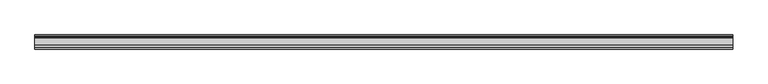
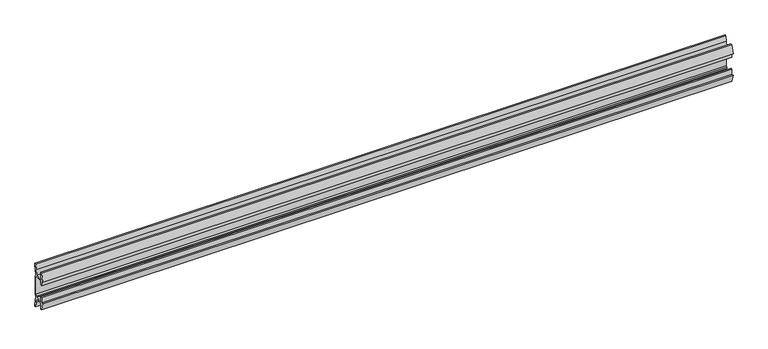
"""IFC4 building model written with IfcOpenShell, lengths in millimetres: furniture geometry."""

from ifc_helpers import new_model, si_unit, point, frame, frame_2d, origin, place, context, project, spatial, polyline, circle_curve, trimmed, segment, composite_curve, outline, extrude, source, transform, mapped, element, save


def furniture_005d5626(model_context):
    return source(origin(), model_context, "Body", "SweptSolid", [
        extrude(outline(composite_curve([segment(polyline([(11.858323, 1787.0845986), (10.7166987, 1781.1251626)]), True, "CONTINUOUS"), segment(trimmed(circle_curve(frame_2d((88.1501042, 1766.291568)), 78.8414093), [point((10.7166987, 1781.1251626))], [point((9.4546262, 1771.0863112))], True, "CARTESIAN"), True, "CONTINUOUS"), segment(polyline([(9.4546262, 1771.0863112), (11.4773198, 1769.0636177), (11.4773198, 1736.1363823), (9.4546262, 1734.1136888)]), True, "CONTINUOUS"), segment(trimmed(circle_curve(frame_2d((88.1501042, 1738.908432)), 78.8414093), [point((9.4546262, 1734.1136888))], [point((10.7166987, 1724.0748374))], True, "CARTESIAN"), True, "CONTINUOUS"), segment(polyline([(10.7166987, 1724.0748374), (11.858323, 1718.1154014), (11.858323, 1714.5006449), (9.3183016, 1714.5006449), (7.5671861, 1723.641709), (6.9977776, 1730.3354675), (-5.9218281, 1730.3354675), (-5.9218281, 1719.7705449), (-8.4618484, 1719.7705449), (-11.7914971, 1733.2790462), (-8.4618484, 1732.2801511), (-8.4618484, 1741.8052306), (-5.9218281, 1741.8052306), (-5.9218281, 1732.915155), (6.7782802, 1732.915155), (6.7782802, 1735.469689), (8.8976323, 1737.3120136), (8.8976323, 1767.8910348), (6.7782802, 1769.7454685), (-5.2868484, 1769.7454685), (-5.2868484, 1763.3954144), (-8.4618484, 1763.3954144), (-8.4618484, 1772.9204939), (-11.858323, 1771.6504837), (-8.4618484, 1785.4301), (-5.2868484, 1785.4301), (-5.2868484, 1772.2854899), (6.7782802, 1772.2854899), (7.5671861, 1781.5595809), (9.3183016, 1790.7006449), (11.858323, 1790.7006449), (11.858323, 1787.0845986)]), True, "CONTINUOUS")], self_intersect=False)), frame((-584.2, 0.0, 0.0), z_axis=(1.0, 0.0, 0.0), x_axis=(0.0, 1.0, 0.0)), (0.0, 0.0, 1.0), 1168.4),
    ])


if __name__ == "__main__":
    model = new_model("IFC4")
    model_context = context("Model", 3, world=origin())
    ifc_project = project(units=[si_unit("LENGTHUNIT", "METRE", prefix="MILLI")], contexts=[model_context])
    site = spatial("IfcSite", under=ifc_project)
    building = spatial("IfcBuilding", under=site)
    placement = place(None, origin())
    furniture_shape = furniture_005d5626(model_context)
    element("IfcFurniture", 1, at=placement, inside=building, context=model_context, shape_type="MappedRepresentation", body=[
        mapped(furniture_shape, transform((0.0, 0.0, 0.0), x_axis=(1.0, 0.0, 0.0), y_axis=(0.0, 1.0, 0.0), z_axis=(0.0, 0.0, 1.0))),
    ])
    save(model, "model.ifc")
